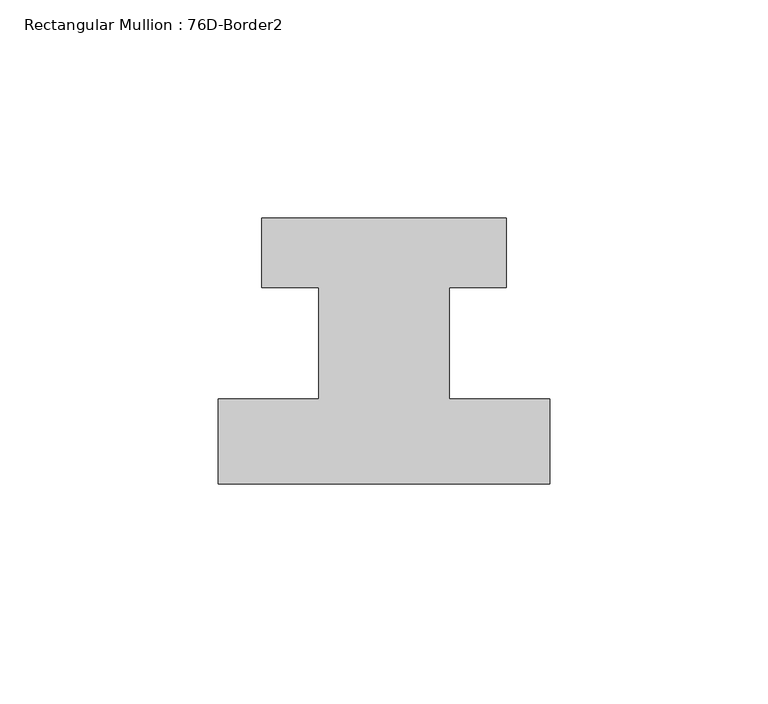
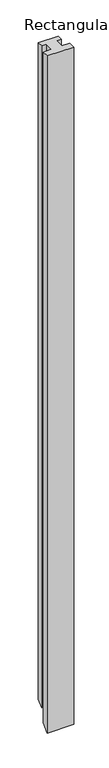
"""IFC4 building model written with IfcOpenShell, lengths in millimetres: member geometry, Rectangular Mullion : 76D-Border2."""

from ifc_helpers import new_model, si_unit, origin, place, context, project, spatial, faceted_brep, source, transform, mapped, element, save


def rectangular_mullion_76d_border2_587ed5bf(model_context):
    return source(origin(), model_context, "Body", "Brep", [
        faceted_brep([(0.0, -20.0, 0.0), (0.0, -0.5, 0.0), (-23.0, -0.5, 0.0), (-23.0, 25.0, 0.0), (-10.0, 25.0, 0.0), (-10.0, 41.0, 0.0), (-66.0, 41.0, 0.0), (-66.0, 25.0, 0.0), (-53.0, 25.0, 0.0), (-53.0, -0.5, 0.0), (-76.0, -0.5, 0.0), (-76.0, -20.0, 0.0), (0.0, -20.0, -2044.0), (0.0, -0.5, -2024.5), (-23.0, -0.5, -2024.5), (-23.0, 25.0, -1999.0), (-10.0, 25.0, -1999.0), (-10.0, 41.0, -1983.0), (-66.0, 41.0, -1983.0), (-66.0, 25.0, -1999.0), (-53.0, 25.0, -1999.0), (-53.0, -0.5, -2024.5), (-76.0, -0.5, -2024.5), (-76.0, -20.0, -2044.0)], [[[0, 1, 2, 3, 4, 5, 6, 7, 8, 9, 10, 11]], [[1, 0, 12, 13]], [[2, 1, 13, 14]], [[3, 2, 14, 15]], [[4, 3, 15, 16]], [[5, 4, 16, 17]], [[6, 5, 17, 18]], [[7, 6, 18, 19]], [[8, 7, 19, 20]], [[9, 8, 20, 21]], [[10, 9, 21, 22]], [[11, 10, 22, 23]], [[0, 11, 23, 12]], [[12, 23, 22, 21, 20, 19, 18, 17, 16, 15, 14, 13]]]),
    ])


if __name__ == "__main__":
    model = new_model("IFC4")
    model_context = context("Model", 3, world=origin())
    ifc_project = project(units=[si_unit("LENGTHUNIT", "METRE", prefix="MILLI")], contexts=[model_context])
    site = spatial("IfcSite", under=ifc_project)
    building = spatial("IfcBuilding", under=site)
    placement = place(None, origin())
    rectangular_mullion_76d_border2_shape = rectangular_mullion_76d_border2_587ed5bf(model_context)
    element("IfcMember", 1, ObjectType="Rectangular Mullion : 76D-Border2", at=placement, inside=building, context=model_context, shape_type="MappedRepresentation", body=[
        mapped(rectangular_mullion_76d_border2_shape, transform((0.0, 0.0, 0.0), x_axis=(1.0, 0.0, 0.0), y_axis=(0.0, 1.0, 0.0), z_axis=(0.0, 0.0, 1.0))),
    ])
    save(model, "model.ifc")
